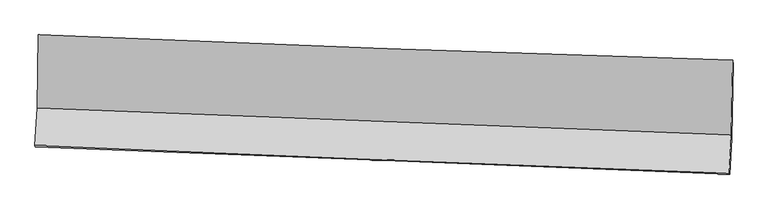
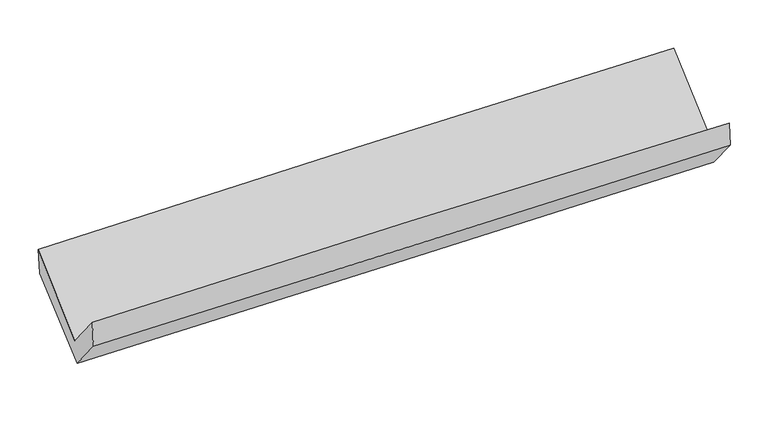
"""IFC4 building model written with IfcOpenShell, lengths in millimetres: proxy geometry."""

from ifc_helpers import new_model, si_unit, frame, origin, place, context, project, spatial, source, transform, mapped, element, save
from ifc_brep_helpers import plane_surface, spline_curve, spline_surface, advanced_brep


def generic_models_26efb820(model_context):
    return source(origin(), model_context, "Body", "AdvancedBrep", [
        advanced_brep(
        [(-2375.2055459, -1128.7449109, 2202.9513422), (-2384.7083317, -1629.897026, 1768.8021126), (2371.4002977, -1816.2074002, 1842.3743836), (2379.7390994, -1302.5689295, 2270.9651319), (-2399.8003685, -1889.1822989, 2079.8324862), (2356.3912372, -2079.6032321, 2142.7196853), (-2396.4702465, -1897.2921983, 1889.4104017), (2359.8033166, -2085.0217325, 1968.5820063), (-2382.6244774, -1659.4181411, 1604.0642422), (2373.827386, -1844.0844274, 1679.5612719), (-2372.194342, -1144.8541476, 2014.4028866), (2382.5727551, -1329.6773552, 2089.6953351)],
        [
            (0, 1),
            (1, 2, spline_curve(3, [(-2384.7083317, -1629.897026, 1768.8021126), (-1592.145130326, -1661.252361723, 1786.787406529), (-799.529589887, -1692.455566703, 1801.911006602), (785.839948944, -1754.559037519, 1826.435340732), (1578.593951358, -1785.459290825, 1835.835831161), (2371.4002977, -1816.2074002, 1842.3743836)], [4, 2, 4], [0.0, 7.807440083986317, 15.615212877248492])),
            (2, 3),
            (3, 0, spline_curve(3, [(2379.7390994, -1302.5689295, 2270.9651319), (1586.951322284, -1277.977043888, 2267.2531616), (794.303607047, -1251.195410806, 2259.729158669), (-790.677929658, -1193.253884539, 2237.057570589), (-1583.011762662, -1162.094178076, 2221.91031031), (-2375.2055459, -1128.7449109, 2202.9513422)], [4, 2, 4], [0.0, 7.807772793262175, 15.615212877248492])),
            (1, 4),
            (4, 5, spline_curve(3, [(-2399.8003685, -1889.1822989, 2079.8324862), (-1607.375142481, -1921.98546019, 2102.15704067), (-814.82167655, -1954.255125053, 2118.559932285), (770.575514395, -2017.728815164, 2139.522836566), (1563.419250412, -2048.932794303, 2144.082344667), (2356.3912372, -2079.6032321, 2142.7196853)], [4, 2, 4], [0.0, 7.808977852318849, 15.618288479444612])),
            (5, 2),
            (4, 6),
            (6, 7, spline_curve(3, [(-2396.4702465, -1897.2921983, 1889.4104017), (-1603.748252835, -1928.861656573, 1901.795520176), (-811.039570602, -1960.290183055, 1914.585563934), (774.38495163, -2022.866706646, 1940.976064362), (1567.100790469, -2054.014691428, 1954.576555474), (2359.8033166, -2085.0217325, 1968.5820063)], [4, 2, 4], [0.0, 7.809140797614496, 15.618614376979721])),
            (7, 5),
            (6, 8),
            (8, 9, spline_curve(3, [(-2382.6244774, -1659.4181411, 1604.0642422), (-1589.933761729, -1691.524961222, 1617.093962844), (-797.225860948, -1722.9669148, 1629.900112858), (788.258092242, -1784.522400146, 1655.065808741), (1581.034145976, -1814.635875332, 1667.425334978), (2373.827386, -1844.0844274, 1679.5612719)], [4, 2, 4], [0.0, 7.809273890520452, 15.618880568463306])),
            (9, 7),
            (8, 10),
            (10, 11, spline_curve(3, [(-2372.194342, -1144.8541476, 2014.4028866), (-1579.783237847, -1176.917076702, 2027.454366408), (-787.355537247, -1208.350160354, 2040.254348512), (797.566826976, -1269.957950107, 2065.351853034), (1590.061492053, -1300.132602107, 2077.649353422), (2382.5727551, -1329.6773552, 2089.6953351)], [4, 2, 4], [0.0, 7.80789768595449, 15.616128100685266])),
            (11, 9),
            (10, 0),
            (3, 11),
        ],
        [
            spline_surface(3, 3, [[(-2375.2055459, -1128.7449109, 2202.9513422), (-1583.011762638, -1162.094178119, 2221.91031029), (-790.677929552, -1193.253884588, 2237.057570573), (794.303606941, -1251.195410757, 2259.729158685), (1586.951322295, -1277.977043785, 2267.253161626), (2379.7390994, -1302.5689295, 2270.9651319)], [(-2378.373141167, -1295.795615929, 2058.23493233), (-1586.056218548, -1328.48023933, 2076.869342399), (-793.628482958, -1359.65444524, 2092.008715892), (791.482387591, -1418.983286371, 2115.297886042), (1584.165532004, -1447.137792804, 2123.447384801), (2376.959498824, -1473.781753068, 2128.101549113)], [(-2381.540736433, -1462.846320971, 1913.51852247), (-1589.100674457, -1494.866300552, 1931.82837452), (-796.579036396, -1526.055005931, 1946.959861235), (788.661168208, -1586.771162025, 1970.866613422), (1581.379741743, -1616.29854182, 1979.641608037), (2374.179898276, -1644.994576632, 1985.237966387)], [(-2384.7083317, -1629.897026, 1768.8021126), (-1592.145130367, -1661.252361763, 1786.787406629), (-799.529589802, -1692.455566583, 1801.911006554), (785.839948858, -1754.559037639, 1826.435340779), (1578.593951452, -1785.459290839, 1835.835831212), (2371.4002977, -1816.2074002, 1842.3743836)]], [4, 4], [4, 2, 4], [0.0, 2.176031704521281], [0.0, 7.807440083986317, 15.615212877248492]),
            spline_surface(3, 3, [[(-2384.7083317, -1629.897026, 1768.8021126), (-1592.145130367, -1661.252361763, 1786.787406629), (-799.529589802, -1692.455566583, 1801.911006554), (785.839948858, -1754.559037639, 1826.435340779), (1578.593951452, -1785.459290839, 1835.835831212), (2371.4002977, -1816.2074002, 1842.3743836)], [(-2389.739010633, -1716.325450315, 1872.478903792), (-1597.221801052, -1748.163394572, 1891.910617943), (-804.626952054, -1779.722086109, 1907.460648436), (780.751804041, -1842.282296772, 1930.797839393), (1573.535717793, -1873.283792027, 1938.584669057), (2366.397277542, -1904.006010831, 1942.489484187)], [(-2394.769689567, -1802.753874585, 1976.155695008), (-1602.29847174, -1835.074427337, 1997.033829281), (-809.724314307, -1866.988605645, 2013.010290333), (775.663659223, -1930.005555915, 2035.160338023), (1568.477484108, -1961.108293222, 2041.333506842), (2361.394257358, -1991.804621469, 2042.604584713)], [(-2399.8003685, -1889.1822989, 2079.8324862), (-1607.375142426, -1921.985460147, 2102.157040595), (-814.82167656, -1954.25512517, 2118.559932214), (770.575514405, -2017.728815047, 2139.522836637), (1563.419250449, -2048.93279441, 2144.082344686), (2356.3912372, -2079.6032321, 2142.7196853)]], [4, 4], [4, 2, 4], [0.0, 1.3458386908779325], [0.0, 7.808977852318849, 15.618288479444612]),
            spline_surface(3, 3, [[(-2399.8003685, -1889.1822989, 2079.8324862), (-1607.375142426, -1921.985460147, 2102.157040595), (-814.82167656, -1954.25512517, 2118.559932214), (770.575514405, -2017.728815047, 2139.522836637), (1563.419250449, -2048.93279441, 2144.082344686), (2356.3912372, -2079.6032321, 2142.7196853)], [(-2398.690327844, -1891.885598698, 2016.358458052), (-1606.166179247, -1924.277525612, 2035.369867134), (-813.560974569, -1956.26681119, 2050.56847612), (771.845326797, -2019.441445578, 2073.340579187), (1564.646430407, -2050.626760052, 2080.913748253), (2357.528596993, -2081.409398892, 2084.673792304)], [(-2397.580287156, -1894.588898502, 1952.884429848), (-1604.957216038, -1926.569591084, 1968.582693615), (-812.300272561, -1958.278497125, 1982.577020064), (773.115139205, -2021.154076026, 2007.158321776), (1565.873610386, -2052.320725718, 2017.745151807), (2358.665956807, -2083.215565708, 2026.627899296)], [(-2396.4702465, -1897.2921983, 1889.4104017), (-1603.748252859, -1928.861656548, 1901.795520154), (-811.039570569, -1960.290183145, 1914.58556397), (774.384951597, -2022.866706557, 1940.976064326), (1567.100790344, -2054.01469136, 1954.576555373), (2359.8033166, -2085.0217325, 1968.5820063)]], [4, 4], [4, 2, 4], [0.0, 0.660675031148134], [0.0, 7.809140797614496, 15.618614376979721]),
            spline_surface(3, 3, [[(-2396.4702465, -1897.2921983, 1889.4104017), (-1603.748252859, -1928.861656548, 1901.795520154), (-811.039570569, -1960.290183145, 1914.58556397), (774.384951597, -2022.866706557, 1940.976064326), (1567.100790344, -2054.01469136, 1954.576555373), (2359.8033166, -2085.0217325, 1968.5820063)], [(-2391.854990129, -1818.000845915, 1794.295015186), (-1599.143422436, -1849.749424774, 1806.895001032), (-806.435000655, -1881.182426989, 1819.690413658), (779.009331793, -1943.418604403, 1845.67264577), (1571.745242197, -1974.221752703, 1858.859481908), (2364.478006416, -2004.709297464, 1872.241761486)], [(-2387.239733771, -1738.709493485, 1699.179628714), (-1594.538592026, -1770.637192955, 1711.994481953), (-801.830430773, -1802.07467092, 1724.795263299), (783.633711957, -1863.970502335, 1750.369227167), (1576.389694003, -1894.428814055, 1763.142408483), (2369.152696184, -1924.396862436, 1775.901516714)], [(-2382.6244774, -1659.4181411, 1604.0642422), (-1589.933761603, -1691.524961181, 1617.093962832), (-797.225860859, -1722.966914765, 1629.900112987), (788.258092153, -1784.522400182, 1655.065808611), (1581.034145856, -1814.635875399, 1667.425335018), (2373.827386, -1844.0844274, 1679.5612719)]], [4, 4], [4, 2, 4], [0.0, 1.2194464881993272], [0.0, 7.809273890520452, 15.618880568463306]),
            spline_surface(3, 3, [[(-2382.6244774, -1659.4181411, 1604.0642422), (-1589.933761603, -1691.524961181, 1617.093962832), (-797.225860859, -1722.966914765, 1629.900112987), (788.258092153, -1784.522400182, 1655.065808611), (1581.034145856, -1814.635875399, 1667.425335018), (2373.827386, -1844.0844274, 1679.5612719)], [(-2379.147765614, -1487.896809924, 1740.843790319), (-1586.550253726, -1519.988999677, 1753.880763995), (-793.935752999, -1551.427996682, 1766.684858183), (791.361003771, -1613.000916811, 1791.827823362), (1584.043261233, -1643.134784315, 1804.166674497), (2376.742509011, -1672.615403348, 1816.272626302)], [(-2375.671053786, -1316.375478776, 1877.623338481), (-1583.166745807, -1348.4530382, 1890.667565201), (-790.645645139, -1379.889078536, 1903.469603434), (794.46391539, -1441.479433378, 1928.589838166), (1587.052376677, -1471.633693189, 1940.908013969), (2379.657632089, -1501.146379252, 1952.983980698)], [(-2372.194342, -1144.8541476, 2014.4028866), (-1579.78323793, -1176.917076696, 2027.454366365), (-787.355537279, -1208.350160453, 2040.254348629), (797.566827007, -1269.957950008, 2065.351852917), (1590.061492054, -1300.132602105, 2077.649353448), (2382.5727551, -1329.6773552, 2089.6953351)]], [4, 4], [4, 2, 4], [0.0, 2.159525633589729], [0.0, 7.80789768595449, 15.616128100685266]),
            spline_surface(3, 3, [[(-2372.194342, -1144.8541476, 2014.4028866), (-1579.78323793, -1176.917076696, 2027.454366365), (-787.355537279, -1208.350160453, 2040.254348629), (797.566827007, -1269.957950008, 2065.351852917), (1590.061492054, -1300.132602105, 2077.649353448), (2382.5727551, -1329.6773552, 2089.6953351)], [(-2373.198076614, -1139.484402019, 2077.252371821), (-1580.859412814, -1171.976110489, 2092.273014361), (-788.463001385, -1203.318068494, 2105.855422639), (796.47908697, -1263.703770254, 2130.144288201), (1589.024768816, -1292.747415996, 2140.850622848), (2381.628203215, -1320.641213298, 2150.118600707)], [(-2374.201811286, -1134.114656481, 2140.101856979), (-1581.935587755, -1167.035144326, 2157.091662293), (-789.570465446, -1198.285976547, 2171.456496563), (795.391346978, -1257.449590511, 2194.9367234), (1587.988045533, -1285.362229894, 2204.051892226), (2380.683651285, -1311.605071402, 2210.541866293)], [(-2375.2055459, -1128.7449109, 2202.9513422), (-1583.011762638, -1162.094178119, 2221.91031029), (-790.677929552, -1193.253884588, 2237.057570573), (794.303606941, -1251.195410757, 2259.729158685), (1586.951322295, -1277.977043785, 2267.253161626), (2379.7390994, -1302.5689295, 2270.9651319)]], [4, 4], [4, 2, 4], [0.0, 0.64419006177456], [0.0, 7.806268947607633, 15.612870554583864]),
            plane_surface(frame((2370.6223487, -1742.8605128, 1998.982969), z_axis=(0.9992284351768215, -0.033427303093274394, 0.02061915958498766), x_axis=(0.013291800436491698, 0.7818304888557537, 0.6233493520785353))),
            plane_surface(frame((-2385.1672187, -1558.2314538, 1926.5772453), z_axis=(-0.9991933026799793, 0.03539006604701126, -0.018981230325336107), x_axis=(0.015910464230366263, -0.08511726486185091, -0.99624390003172))),
        ],
        [
            (0, [[1, 2, 3, 4]]),
            (1, [[5, 6, 7, -2]]),
            (2, [[8, 9, 10, -6]]),
            (3, [[11, 12, 13, -9]]),
            (4, [[14, 15, 16, -12]]),
            (5, [[17, -4, 18, -15]]),
            (6, [[-16, -18, -3, -7, -10, -13]]),
            (7, [[-17, -14, -11, -8, -5, -1]]),
        ],
    ),
    ])


if __name__ == "__main__":
    model = new_model("IFC4")
    model_context = context("Model", 3, world=origin())
    ifc_project = project(units=[si_unit("LENGTHUNIT", "METRE", prefix="MILLI")], contexts=[model_context])
    site = spatial("IfcSite", under=ifc_project)
    building = spatial("IfcBuilding", under=site)
    placement = place(None, origin())
    generic_models_shape = generic_models_26efb820(model_context)
    element("IfcBuildingElementProxy", 1, Name="Generic Models", at=placement, inside=building, context=model_context, shape_type="MappedRepresentation", body=[
        mapped(generic_models_shape, transform((0.0, 0.0, 0.0), x_axis=(1.0, 0.0, 0.0), y_axis=(0.0, 1.0, 0.0), z_axis=(0.0, 0.0, 1.0))),
    ])
    save(model, "model.ifc")
